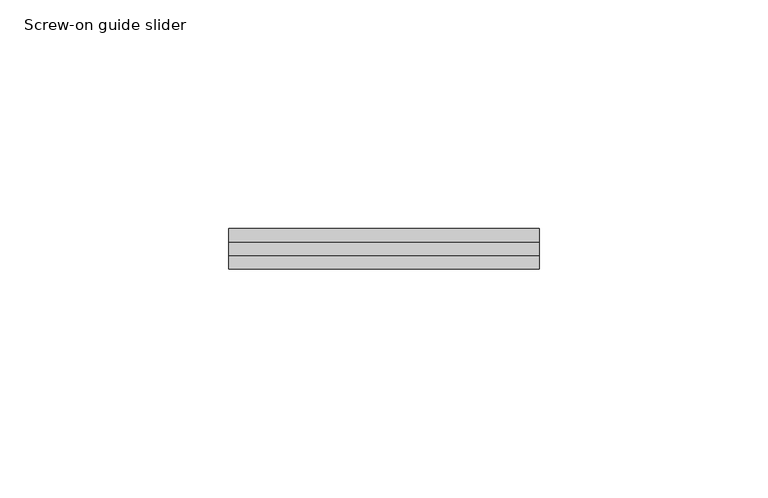
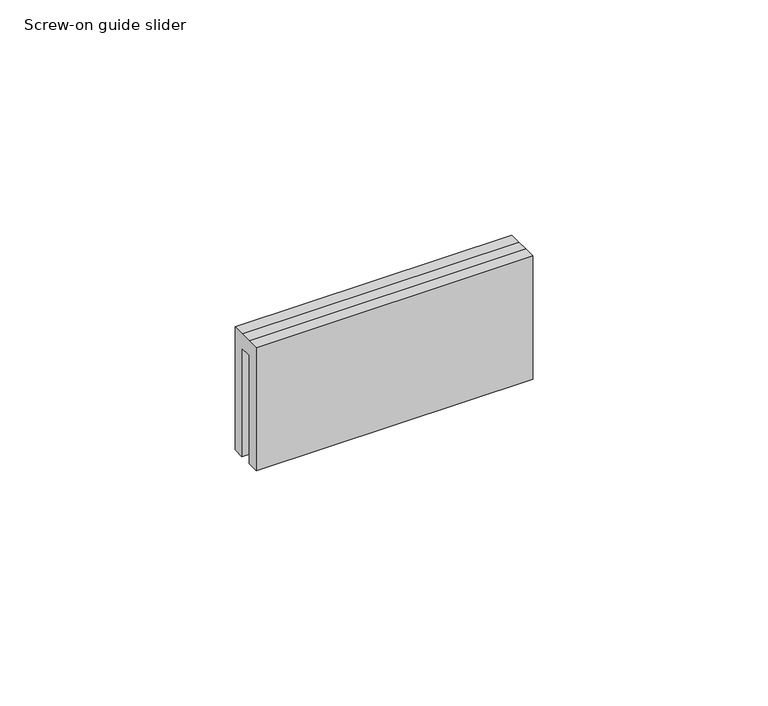
"""IFC4 building model written with IfcOpenShell, lengths in millimetres: proxy geometry, Screw-on guide slider."""

from ifc_helpers import new_model, si_unit, frame, origin, place, context, project, spatial, polyline, outline, extrude, source, transform, mapped, element, save


def screw_on_guide_slider_69dbfa29(model_context):
    return source(origin(), model_context, "Body", "SweptSolid", [
        extrude(outline(polyline([(0.0, 31.9552598), (0.0, 0.0), (-2.921488, 0.0), (-2.921488, 28.1143407), (-5.961982, 28.1143407), (-5.961982, 0.0), (-8.9492613, 0.0), (-8.9492613, 31.9552598), (-5.9661742, 31.9552598), (-2.9830871, 31.9552598), (0.0, 31.9552598)])), frame((-17.25, 0.0, 0.0), z_axis=(1.0, 0.0, 0.0), x_axis=(0.0, 1.0, 0.0)), (0.0, 0.0, 1.0), 68.0),
    ])


if __name__ == "__main__":
    model = new_model("IFC4")
    model_context = context("Model", 3, world=origin())
    ifc_project = project(units=[si_unit("LENGTHUNIT", "METRE", prefix="MILLI")], contexts=[model_context])
    site = spatial("IfcSite", under=ifc_project)
    building = spatial("IfcBuilding", under=site)
    placement = place(None, origin())
    screw_on_guide_slider_shape = screw_on_guide_slider_69dbfa29(model_context)
    element("IfcBuildingElementProxy", 1, Name="Screw-on guide slider", ObjectType="Screw-on guide slider", at=placement, inside=building, context=model_context, shape_type="MappedRepresentation", body=[
        mapped(screw_on_guide_slider_shape, transform((0.0, 0.0, 0.0), x_axis=(1.0, 0.0, 0.0), y_axis=(0.0, 1.0, 0.0), z_axis=(0.0, 0.0, 1.0))),
    ])
    save(model, "model.ifc")
